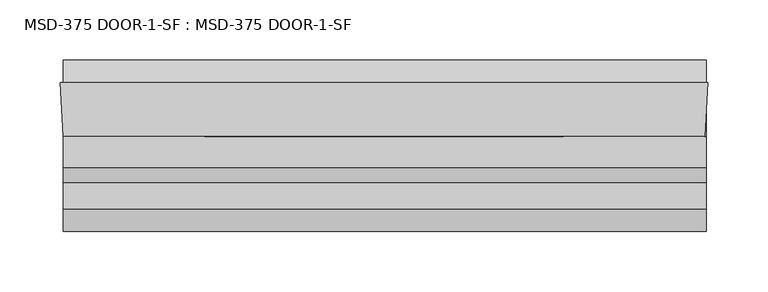
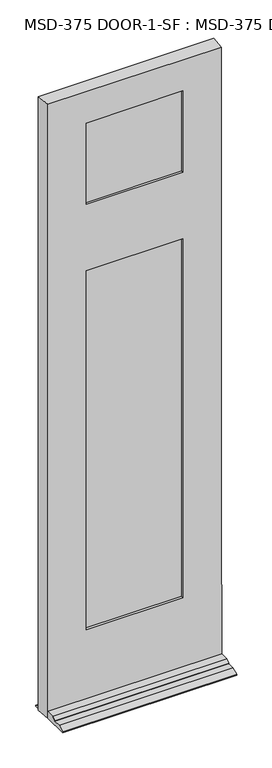
"""IFC4 building model written with IfcOpenShell, lengths in millimetres: plate geometry, MSD-375 DOOR-1-SF : MSD-375 DOOR-1-SF."""

from ifc_helpers import new_model, si_unit, frame, origin, place, context, project, spatial, polyline, outline, extrude, faceted_brep, source, transform, mapped, element, save


def msd_375_door_1_sf_msd_375_door_1_sf_724db7d4(model_context):
    return source(origin(), model_context, "Body", "SolidModel", [
        faceted_brep([(265.2313901, 1.8752528, 0.0), (266.6353327, 1.8752528, 0.0), (265.2313901, -20.6651106, 0.0), (265.2313901, -121.9497472, 0.0), (-270.2814, -121.9497472, 0.0), (-270.2814, -42.5747472, 0.0), (-273.05, 1.8752528, 0.0), (-270.2814, 1.8752528, 0.0), (-270.2814, 20.9252528, 0.0), (265.2313901, 20.9252528, 0.0), (265.2313901, -35.1325472, 226.2251), (265.2313901, -35.1325472, 246.0625), (265.2313901, -42.5747472, 246.0625), (265.2313901, -42.5747472, 21.4376), (265.2313901, -68.4446472, 21.4376), (265.2313901, -80.8652472, 14.2748), (265.2313901, -80.8652472, 12.7), (265.2313901, -102.8997472, 12.7), (265.2313901, -121.9497472, 3.175), (265.2313901, -20.6651106, 226.2251), (265.2313901, 20.9252528, 3.175), (265.2313901, 1.8752528, 12.7), (-270.2814, 1.8752528, 12.7), (-270.2814, 20.9252528, 3.175), (-270.2814, -121.9497472, 3.175), (-270.2814, -102.8997472, 12.7), (-270.2814, -80.8652472, 12.7), (-270.2814, -80.8652472, 14.2748), (-270.2814, -68.4446472, 21.4376), (-270.2814, -42.5747472, 21.4376), (266.6353327, 1.8752528, 1996.9918046), (-273.05, 1.8752528, 1996.9918046), (-152.4, 1.8752528, 1414.4498), (-152.4, 1.8752528, 246.0625), (145.9853327, 1.8752528, 246.0625), (145.9853327, 1.8752528, 1414.4498), (145.9853327, 1.8752528, 1895.3918046), (-152.4, 1.8752528, 1895.3918046), (-152.4, 1.8752528, 1630.3498), (145.9853327, 1.8752528, 1630.3498), (145.9853327, -9.7325472, 1895.3918046), (-152.4, -9.7325472, 1895.3918046), (165.8227327, -9.7325472, 1434.2999), (-172.2374, -9.7325472, 1434.2999), (-172.2374, -9.7325472, 226.2251), (165.8227327, -9.7325472, 226.2251), (-152.4, -9.7325472, 1414.4498), (145.9853327, -9.7325472, 1414.4498), (145.9853327, -9.7325472, 246.0625), (-152.4, -9.7325472, 246.0625), (165.8227327, -9.7325472, 1915.3124), (-172.2374, -9.7325472, 1915.3124), (-172.2374, -9.7325472, 1610.5124), (165.8227327, -9.7325472, 1610.5124), (145.9853327, -9.7325472, 1630.3498), (-152.4, -9.7325472, 1630.3498), (165.8227327, -35.1325472, 1915.3124), (-172.2374, -35.1325472, 1915.3124), (264.3302755, -35.1325472, 226.2251), (264.3302755, -35.1325472, 246.0625), (-172.2374, -35.1325472, 1434.2999), (165.8227327, -35.1325472, 1434.2999), (165.8227327, -35.1325472, 226.2251), (-172.2374, -35.1325472, 226.2251), (145.9853327, -35.1325472, 1414.4498), (-152.4, -35.1325472, 1414.4498), (-152.4, -35.1325472, 246.0625), (145.9853327, -35.1325472, 246.0625), (165.8227327, -35.1325472, 1610.5124), (-172.2374, -35.1325472, 1610.5124), (145.9853327, -35.1325472, 1895.3918046), (-152.4, -35.1325472, 1895.3918046), (-152.4, -35.1325472, 1630.3498), (145.9853327, -35.1325472, 1630.3498), (145.9853327, -42.5747472, 1895.3918046), (-152.4, -42.5747472, 1895.3918046), (263.8667327, -42.5747472, 1996.9918046), (-270.2814, -42.5747472, 1996.9918046), (263.8667327, -42.5747472, 246.0625), (145.9853327, -42.5747472, 1414.4498), (145.9853327, -42.5747472, 246.0625), (-152.4, -42.5747472, 246.0625), (-152.4, -42.5747472, 1414.4498), (145.9853327, -42.5747472, 1630.3498), (-152.4, -42.5747472, 1630.3498)], [[[0, 1, 2, 3, 4, 5, 6, 7, 8, 9]], [[10, 11, 12, 13, 14, 15, 16, 17, 18, 3, 2, 19]], [[9, 20, 21, 0]], [[22, 23, 8, 7]], [[4, 24, 25, 26, 27, 28, 29, 5]], [[30, 1, 0, 21, 22, 7, 6, 31], [32, 33, 34, 35], [36, 37, 38, 39]], [[36, 40, 41, 37]], [[42, 43, 44, 45], [46, 47, 48, 49]], [[50, 51, 52, 53], [41, 40, 54, 55]], [[50, 56, 57, 51]], [[11, 10, 58, 59]], [[60, 61, 62, 63], [64, 65, 66, 67]], [[57, 56, 68, 69], [70, 71, 72, 73]], [[70, 74, 75, 71]], [[76, 77, 29, 13, 12, 78], [79, 80, 81, 82], [75, 74, 83, 84]], [[76, 30, 31, 77]], [[56, 50, 53, 68]], [[62, 61, 42, 45]], [[74, 70, 73, 83]], [[79, 64, 67, 80]], [[30, 76, 78, 59, 58, 19, 2, 1]], [[40, 36, 39, 54]], [[47, 35, 34, 48]], [[29, 77, 31, 6, 5]], [[71, 75, 84, 72]], [[65, 82, 81, 66]], [[44, 43, 60, 63]], [[51, 57, 69, 52]], [[37, 41, 55, 38]], [[32, 46, 49, 33]], [[39, 38, 55, 54]], [[68, 53, 52, 69]], [[73, 72, 84, 83]], [[65, 64, 79, 82]], [[42, 61, 60, 43]], [[32, 35, 47, 46]], [[10, 19, 58]], [[63, 62, 45, 44]], [[12, 11, 59, 78]], [[67, 66, 81, 80]], [[14, 13, 29, 28]], [[15, 14, 28, 27]], [[16, 15, 27, 26]], [[17, 16, 26, 25]], [[18, 17, 25, 24]], [[3, 18, 24, 4]], [[20, 9, 8, 23]], [[22, 21, 20, 23]], [[34, 33, 49, 48]]]),
        extrude(outline(polyline([(-170.3412802, -9.7325472), (165.2088756, -9.7325472), (165.2088756, -14.8125472), (-170.3412802, -14.8125472), (-170.3412802, -9.7325472)])), frame((0.0, 0.0, 1610.5124), z_axis=(0.0, 0.0, 1.0), x_axis=(1.0, 0.0, 0.0)), (0.0, 0.0, 1.0), 304.8),
        extrude(outline(polyline([(165.2088756, -24.2105472), (165.2088756, -29.2905472), (-170.3412802, -29.2905472), (-170.3412802, -24.2105472), (165.2088756, -24.2105472)])), frame((0.0, 0.0, 1610.5124), z_axis=(0.0, 0.0, 1.0), x_axis=(1.0, 0.0, 0.0)), (0.0, 0.0, 1.0), 304.8),
        extrude(outline(polyline([(-170.3412802, -30.0525472), (165.2088756, -30.0525472), (165.2088756, -35.1325472), (-170.3412802, -35.1325472), (-170.3412802, -30.0525472)])), frame((0.0, 0.0, 1610.5124), z_axis=(0.0, 0.0, 1.0), x_axis=(1.0, 0.0, 0.0)), (0.0, 0.0, 1.0), 304.8),
        extrude(outline(polyline([(-172.2374, -9.7325472), (165.8227327, -9.7325472), (165.8227327, -14.8125472), (-172.2374, -14.8125472), (-172.2374, -9.7325472)])), frame((0.0, 0.0, 226.21875), z_axis=(0.0, 0.0, 1.0), x_axis=(1.0, 0.0, 0.0)), (0.0, 0.0, 1.0), 1208.08115),
        extrude(outline(polyline([(165.8227327, -24.2105472), (165.8227327, -29.2905472), (-172.2374, -29.2905472), (-172.2374, -24.2105472), (165.8227327, -24.2105472)])), frame((0.0, 0.0, 226.21875), z_axis=(0.0, 0.0, 1.0), x_axis=(1.0, 0.0, 0.0)), (0.0, 0.0, 1.0), 1208.08115),
        extrude(outline(polyline([(-172.2374, -30.0525472), (165.8227327, -30.0525472), (165.8227327, -35.1325472), (-172.2374, -35.1325472), (-172.2374, -30.0525472)])), frame((0.0, 0.0, 226.21875), z_axis=(0.0, 0.0, 1.0), x_axis=(1.0, 0.0, 0.0)), (0.0, 0.0, 1.0), 1208.08115),
    ])


if __name__ == "__main__":
    model = new_model("IFC4")
    model_context = context("Model", 3, world=origin())
    ifc_project = project(units=[si_unit("LENGTHUNIT", "METRE", prefix="MILLI")], contexts=[model_context])
    site = spatial("IfcSite", under=ifc_project)
    building = spatial("IfcBuilding", under=site)
    placement = place(None, origin())
    msd_375_door_1_sf_msd_375_door_1_sf_shape = msd_375_door_1_sf_msd_375_door_1_sf_724db7d4(model_context)
    element("IfcPlate", 1, ObjectType="MSD-375 DOOR-1-SF : MSD-375 DOOR-1-SF", at=placement, inside=building, context=model_context, shape_type="MappedRepresentation", body=[
        mapped(msd_375_door_1_sf_msd_375_door_1_sf_shape, transform((0.0, 0.0, 0.0), x_axis=(1.0, 0.0, 0.0), y_axis=(0.0, 1.0, 0.0), z_axis=(0.0, 0.0, 1.0))),
    ])
    save(model, "model.ifc")
